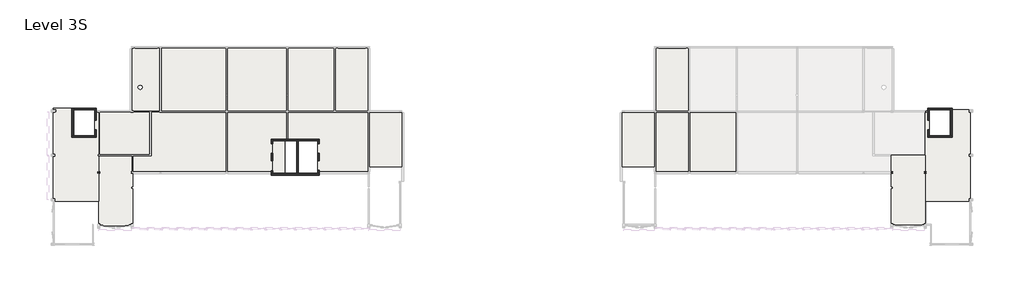
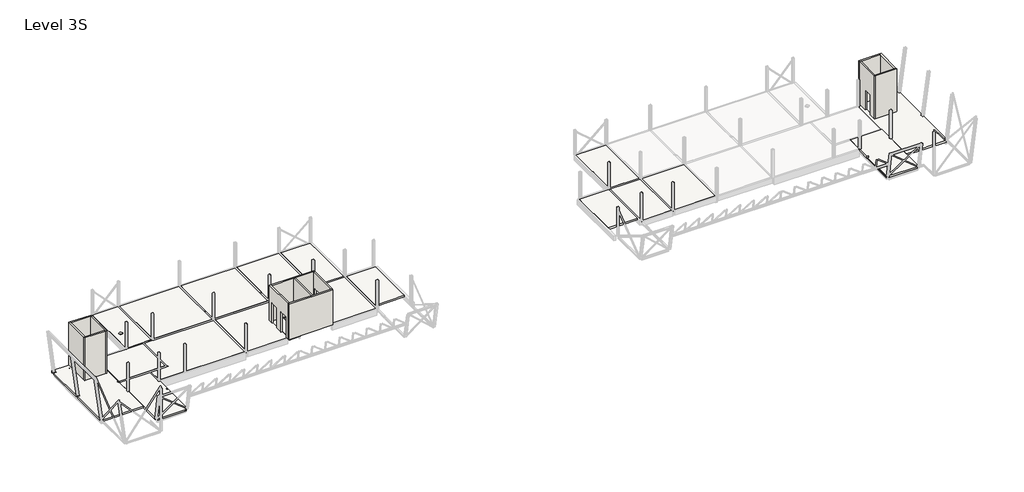
# One storey, part 1 of 11: 18 slabs, 13 walls.
"""IFC4 building model written with IfcOpenShell, lengths in millimetres."""

from ifc_helpers import new_model, si_unit, frame, origin, place, context, project, spatial, polyline, circle_curve, outline, extrude, faceted_brep, element, save
from ifc_brep_helpers import plane_surface, revolved_surface, advanced_brep

model = new_model("IFC4")

# Units and contexts
model_context = context("Model", 3, world=origin())
ifc_project = project(units=[si_unit("LENGTHUNIT", "METRE", prefix="MILLI")], contexts=[model_context])

# Site, building, storey
site = spatial("IfcSite", under=ifc_project)
building = spatial("IfcBuilding", under=site)
storey = spatial("IfcBuildingStorey", under=building, Name="Level 3S", Elevation=11900.0)

# Slabs
placement = place(None, origin())
element("IfcSlab", 1, ObjectType="Lattice Girder Slab 50/180", at=placement, inside=storey, context=model_context, shape_type="Brep", body=[
    faceted_brep([(-61475.5408921, -11787.2248986, 11720.0), (-59700.0749186, -11787.2248986, 11720.0), (-59550.0749186, -11787.2248986, 11720.0), (-59550.0749186, -14394.7248986, 11720.0), (-57575.0749186, -14394.7248986, 11720.0), (-57575.0749186, -12194.7248986, 11720.0), (-57277.5749186, -12194.7248986, 11720.0), (-57177.5749186, -12194.7248986, 11720.0), (-57177.5749186, -16094.1031039, 11720.0), (-57177.5749186, -16144.1031039, 11720.0), (-57277.5749186, -16144.1031039, 11720.0), (-57277.5749186, -16344.1031039, 11720.0), (-57177.5749186, -16344.1031039, 11720.0), (-57177.5749186, -17766.7248986, 11720.0), (-57267.5749186, -17766.7248986, 11720.0), (-57267.5749186, -17937.7248986, 11720.0), (-57177.5749186, -17937.7248986, 11720.0), (-57177.5749186, -20569.7248986, 11720.0), (-61265.9792037, -20569.7248986, 11720.0), (-61265.9792037, -20291.3915653, 11720.0), (-61475.5408921, -20291.3915653, 11720.0), (-61475.5408921, -16375.558232, 11720.0), (-61265.9792037, -16375.558232, 11720.0), (-61265.9792037, -16115.558232, 11720.0), (-61475.5408921, -16115.558232, 11720.0), (-61475.5408921, -12199.7248986, 11720.0), (-61175.5408921, -12199.7248986, 11720.0), (-61175.5408921, -11879.7248986, 11720.0), (-61475.5408921, -11879.7248986, 11720.0), (-59550.0749186, -11787.2248986, 11900.0), (-61475.5408921, -11787.2248986, 11900.0), (-61475.5408921, -11879.7248986, 11900.0), (-61175.5408921, -11879.7248986, 11900.0), (-61175.5408921, -12199.7248986, 11900.0), (-61475.5408921, -12199.7248986, 11900.0), (-61475.5408921, -16115.558232, 11900.0), (-61265.9792037, -16115.558232, 11900.0), (-61265.9792037, -16375.558232, 11900.0), (-61475.5408921, -16375.558232, 11900.0), (-61475.5408921, -20291.3915653, 11900.0), (-61265.9792037, -20291.3915653, 11900.0), (-61265.9792037, -20569.7248986, 11900.0), (-57177.5749186, -20569.7248986, 11900.0), (-57177.5749186, -17937.7248986, 11900.0), (-57267.5749186, -17937.7248986, 11900.0), (-57267.5749186, -17766.7248986, 11900.0), (-57177.5749186, -17766.7248986, 11900.0), (-57177.5749186, -16344.1031039, 11900.0), (-57277.5749186, -16344.1031039, 11900.0), (-57277.5749186, -16144.1031039, 11900.0), (-57177.5749186, -16144.1031039, 11900.0), (-57177.5749186, -16094.1031039, 11900.0), (-57177.5749186, -12194.7248986, 11900.0), (-57425.0749186, -12194.7248986, 11900.0), (-57575.0749186, -12194.7248986, 11900.0), (-57575.0749186, -14394.7248986, 11900.0), (-59550.0749186, -14394.7248986, 11900.0)], [[[0, 1, 2, 3, 4, 5, 6, 7, 8, 9, 10, 11, 12, 13, 14, 15, 16, 17, 18, 19, 20, 21, 22, 23, 24, 25, 26, 27, 28]], [[29, 30, 31, 32, 33, 34, 35, 36, 37, 38, 39, 40, 41, 42, 43, 44, 45, 46, 47, 48, 49, 50, 51, 52, 53, 54, 55, 56]], [[17, 42, 41, 18]], [[2, 1, 0, 30, 29]], [[42, 17, 16, 43]], [[46, 13, 12, 47]], [[7, 52, 51, 50, 9, 8]], [[3, 2, 29, 56]], [[4, 3, 56, 55]], [[4, 55, 54, 5]], [[26, 25, 34, 33]], [[30, 0, 28, 31]], [[34, 25, 24, 35]], [[38, 21, 20, 39]], [[24, 23, 36, 35]], [[22, 21, 38, 37]], [[20, 19, 40, 39]], [[32, 27, 26, 33]], [[36, 23, 22, 37]], [[40, 19, 18, 41]], [[7, 6, 5, 54, 53, 52]], [[11, 48, 47, 12]], [[49, 10, 9, 50]], [[44, 15, 14, 45]], [[45, 14, 13, 46]], [[15, 44, 43, 16]], [[27, 32, 31, 28]], [[48, 11, 10, 49]]]),
])
element("IfcSlab", 2, ObjectType="Lattice Girder Slab 50/180", at=placement, inside=storey, context=model_context, shape_type="Brep", body=[
    faceted_brep([(-57047.5749186, -22849.2950256, 11720.0), (-57047.5749186, -22642.2931836, 11720.0), (-57177.5749186, -22642.2931836, 11720.0), (-57177.5749186, -17937.7248986, 11720.0), (-57087.5749186, -17937.7248986, 11720.0), (-57087.5749186, -17766.7248986, 11720.0), (-57177.5749186, -17766.7248986, 11720.0), (-57177.5749186, -16344.1031039, 11720.0), (-54095.0749186, -16344.1031039, 11720.0), (-54095.0749186, -17752.2248986, 11720.0), (-54120.0749186, -17752.2248986, 11720.0), (-54120.0749186, -17952.2248986, 11720.0), (-53970.0749186, -17952.2248986, 11720.0), (-53970.0749186, -17993.6462549, 11720.0), (-53970.0749186, -19199.1395763, 11720.0), (-54115.0749186, -19199.1395763, 11720.0), (-54115.0749186, -19399.1395763, 11720.0), (-53970.0749186, -19399.1395763, 11720.0), (-53970.0749186, -22642.2931836, 11720.0), (-54150.0749186, -22642.2931836, 11720.0), (-54150.0749186, -22849.2950256, 11720.0), (-57047.5749186, -22642.2931836, 11900.0), (-57047.5749186, -22849.2950256, 11900.0), (-54150.0749186, -22849.2950256, 11900.0), (-54150.0749186, -22642.2931836, 11900.0), (-53970.0749186, -22642.2931836, 11900.0), (-53970.0749186, -19399.1395763, 11900.0), (-54115.0749186, -19399.1395763, 11900.0), (-54115.0749186, -19199.1395763, 11900.0), (-53970.0749186, -19199.1395763, 11900.0), (-53970.0749186, -17993.6462549, 11900.0), (-53970.0749186, -17952.2248986, 11900.0), (-54120.0749186, -17952.2248986, 11900.0), (-54120.0749186, -17752.2248986, 11900.0), (-54095.0749186, -17752.2248986, 11900.0), (-54095.0749186, -17722.3210881, 11900.0), (-54095.0749186, -16344.1031039, 11900.0), (-57065.7715197, -16344.1031039, 11900.0), (-57177.5749186, -16344.1031039, 11900.0), (-57177.5749186, -17766.7248986, 11900.0), (-57087.5749186, -17766.7248986, 11900.0), (-57087.5749186, -17937.7248986, 11900.0), (-57177.5749186, -17937.7248986, 11900.0), (-57177.5749186, -22642.2931836, 11900.0)], [[[0, 1, 2, 3, 4, 5, 6, 7, 8, 9, 10, 11, 12, 13, 14, 15, 16, 17, 18, 19, 20]], [[21, 22, 23, 24, 25, 26, 27, 28, 29, 30, 31, 32, 33, 34, 35, 36, 37, 38, 39, 40, 41, 42, 43]], [[2, 43, 42, 3]], [[6, 39, 38, 7]], [[22, 0, 20, 23]], [[18, 17, 26, 25]], [[29, 14, 13, 12, 31, 30]], [[1, 0, 22, 21]], [[20, 19, 24, 23]], [[16, 27, 26, 17]], [[27, 16, 15, 28]], [[28, 15, 14, 29]], [[1, 21, 43, 2]], [[24, 19, 18, 25]], [[5, 40, 39, 6]], [[40, 5, 4, 41]], [[41, 4, 3, 42]], [[33, 10, 9, 34]], [[12, 11, 32, 31]], [[7, 38, 37, 36, 8]], [[32, 11, 10, 33]], [[9, 8, 36, 35, 34]]]),
])
element("IfcSlab", 3, ObjectType="Lattice Girder Slab 50/180", at=placement, inside=storey, context=model_context, shape_type="Brep", body=[
    faceted_brep([(-36575.0711521, -17752.2248986, 11720.0), (-36575.0711521, -14879.7248986, 11720.0), (-39354.2335648, -14879.7248986, 11720.0), (-39354.2335648, -12219.7248986, 11720.0), (-35099.3783174, -12219.7248986, 11720.0), (-34875.7715197, -12219.7248986, 11720.0), (-31877.5749186, -12219.7248986, 11720.0), (-31877.5749186, -17752.2248986, 11720.0), (-36575.0711521, -14879.7248986, 11900.0), (-36575.0711521, -17752.2248986, 11900.0), (-36425.0711521, -17752.2248986, 11900.0), (-31889.3783174, -17752.2248986, 11900.0), (-31877.5749186, -17752.2248986, 11900.0), (-31877.5749186, -12219.7248986, 11900.0), (-34875.7715197, -12219.7248986, 11900.0), (-35099.3783174, -12219.7248986, 11900.0), (-39354.2335648, -12219.7248986, 11900.0), (-39354.2335648, -14729.7248986, 11900.0), (-39354.2335648, -14879.7248986, 11900.0)], [[[0, 1, 2, 3, 4, 5, 6, 7]], [[8, 9, 10, 11, 12, 13, 14, 15, 16, 17, 18]], [[13, 6, 5, 4, 3, 16, 15, 14]], [[8, 1, 0, 9]], [[1, 8, 18, 2]], [[6, 13, 12, 7]], [[0, 7, 12, 11, 10, 9]], [[3, 2, 18, 17, 16]]]),
    faceted_brep([(-40807.5711521, -14879.7248986, 11720.0), (-40807.5711521, -17752.2248986, 11720.0), (-45047.5749186, -17752.2248986, 11720.0), (-45047.5749186, -12219.7248986, 11720.0), (-39554.2335648, -12219.7248986, 11720.0), (-39554.2335648, -14879.7248986, 11720.0), (-39700.0711521, -14879.7248986, 11720.0), (-45047.5749186, -12219.7248986, 11900.0), (-45047.5749186, -17740.4214998, 11900.0), (-45047.5749186, -17752.2248986, 11900.0), (-45035.7715197, -17752.2248986, 11900.0), (-40957.5711521, -17752.2248986, 11900.0), (-40807.5711521, -17752.2248986, 11900.0), (-40807.5711521, -14879.7248986, 11900.0), (-39700.0711521, -14879.7248986, 11900.0), (-39554.2335648, -14879.7248986, 11900.0), (-39554.2335648, -14729.7248986, 11900.0), (-39554.2335648, -12219.7248986, 11900.0)], [[[0, 1, 2, 3, 4, 5, 6]], [[7, 8, 9, 10, 11, 12, 13, 14, 15, 16, 17]], [[3, 7, 17, 4]], [[13, 0, 6, 5, 15, 14]], [[0, 13, 12, 1]], [[7, 3, 2, 9, 8]], [[2, 1, 12, 11, 10, 9]], [[5, 4, 17, 16, 15]]]),
])
element("IfcSlab", 4, ObjectType="Lattice Girder Slab 50/180", at=placement, inside=storey, context=model_context, shape_type="SweptSolid", body=[
    extrude(outline(polyline([(-28690.0749186, -17289.7248986), (-31677.5749186, -17289.7248986), (-31677.5749186, -12219.7248986), (-28690.0749186, -12219.7248986), (-28690.0749186, -17289.7248986)])), frame((0.0, 0.0, 11720.0), z_axis=(0.0, 0.0, 1.0), x_axis=(1.0, 0.0, 0.0)), (0.0, 0.0, 1.0), 180.0),
])
element("IfcSlab", 5, ObjectType="Lattice Girder Slab 50/180", at=placement, inside=storey, context=model_context, shape_type="AdvancedBrep", body=[
    advanced_brep(
    [(-51467.5749186, -6164.7248986, 11720.0), (-51467.5749186, -12044.7248986, 11720.0), (-54020.0749186, -12044.7248986, 11720.0), (-54020.0749186, -6164.7248986, 11720.0), (-53494.9312843, -9844.3712807, 11720.0), (-53094.9312843, -9844.3712807, 11720.0), (-51467.5749186, -12044.7248986, 11900.0), (-51467.5749186, -12007.9214998, 11900.0), (-51467.5749186, -6189.7248986, 11900.0), (-51467.5749186, -6164.7248986, 11900.0), (-54020.0749186, -6164.7248986, 11900.0), (-54020.0749186, -6189.7248986, 11900.0), (-54020.0749186, -12019.7248986, 11900.0), (-54020.0749186, -12044.7248986, 11900.0), (-51497.4787291, -12044.7248986, 11900.0), (-53094.9312843, -9844.3712807, 11900.0), (-53494.9312843, -9844.3712807, 11900.0)],
    [
        (0, 1),
        (1, 2),
        (2, 3),
        (3, 0),
        (4, 5, circle_curve(frame((-53294.9312843, -9844.3712807, 11720.0), z_axis=(0.0, 0.0, 1.0), x_axis=(1.0, 0.0, 0.0)), 200.0)),
        (5, 4, circle_curve(frame((-53294.9312843, -9844.3712807, 11720.0), z_axis=(0.0, 0.0, 1.0), x_axis=(1.0, 0.0, 0.0)), 200.0)),
        (6, 7),
        (7, 8),
        (8, 9),
        (9, 10),
        (10, 11),
        (11, 12),
        (12, 13),
        (13, 14),
        (14, 6),
        (15, 16, circle_curve(frame((-53294.9312843, -9844.3712807, 11900.0), z_axis=(0.0, 0.0, -1.0), x_axis=(1.0, 0.0, 0.0)), 200.0)),
        (16, 15, circle_curve(frame((-53294.9312843, -9844.3712807, 11900.0), z_axis=(0.0, 0.0, -1.0), x_axis=(1.0, 0.0, 0.0)), 200.0)),
        (4, 16),
        (15, 5),
        (9, 0),
        (3, 10),
        (6, 1),
        (13, 2),
    ],
    [
        plane_surface(frame((-31607.5749186, -6089.7248986, 11720.0), z_axis=(0.0, 0.0, -1.0), x_axis=(1.0, 0.0, 0.0))),
        plane_surface(frame((-31607.5749186, -6089.7248986, 11900.0), z_axis=(0.0, 0.0, 1.0), x_axis=(-1.0, 0.0, 0.0))),
        revolved_surface(polyline([(-53094.9312843, -9844.3712807, 11900.0), (-53094.9312843, -9844.3712807, 11720.0)]), (-53294.9312843, -9844.3712807, 11415.2), (0.0, 0.0, 1.0)),
        plane_surface(frame((-51480.2749186, -6164.7248986, 11900.0), z_axis=(0.0, 1.0, 0.0), x_axis=(-1.0, 0.0, 0.0))),
        plane_surface(frame((-51467.5749186, -12219.7248986, 11525.0), z_axis=(1.0, 0.0, 0.0), x_axis=(0.0, 0.0, -1.0))),
        plane_surface(frame((-54007.3749186, -12044.7248986, 11900.0), z_axis=(0.0, -1.0, 0.0), x_axis=(1.0, 0.0, 0.0))),
        plane_surface(frame((-54020.0749186, -12219.7248986, 11900.0), z_axis=(-1.0, 0.0, 0.0), x_axis=(0.0, 0.0, -1.0))),
    ],
    [
        (0, [[1, 2, 3, 4], [5, 6]]),
        (1, [[7, 8, 9, 10, 11, 12, 13, 14, 15], [16, 17]]),
        (2, [[18, -16, 19, -5]]),
        (2, [[-18, -6, -19, -17]]),
        (3, [[20, -4, 21, -10]]),
        (4, [[-20, -9, -8, -7, 22, -1]]),
        (5, [[-22, -15, -14, 23, -2]]),
        (6, [[-23, -13, -12, -11, -21, -3]]),
    ],
),
])
element("IfcSlab", 6, ObjectType="Lattice Girder Slab 50/180", at=placement, inside=storey, context=model_context, shape_type="Brep", body=[
    faceted_brep([(-51267.5749186, -6164.7248986, 11720.0), (-45247.5749186, -6164.7248986, 11720.0), (-45247.5749186, -12019.7248986, 11720.0), (-51267.5749186, -12019.7248986, 11720.0), (-45247.5749186, -6164.7248986, 11900.0), (-51267.5749186, -6164.7248986, 11900.0), (-51267.5749186, -6189.7248986, 11900.0), (-51267.5749186, -12007.9214998, 11900.0), (-51267.5749186, -12019.7248986, 11900.0), (-51255.7715197, -12019.7248986, 11900.0), (-45247.5749186, -12019.7248986, 11900.0), (-45247.5749186, -10688.4429751, 11900.0), (-45247.5749186, -10464.8361774, 11900.0), (-45247.5749186, -6189.7248986, 11900.0)], [[[0, 1, 2, 3]], [[4, 5, 6, 7, 8, 9, 10, 11, 12, 13]], [[0, 5, 4, 1]], [[5, 0, 3, 8, 7, 6]], [[1, 4, 13, 12, 11, 10, 2]], [[3, 2, 10, 9, 8]]]),
])
element("IfcSlab", 7, ObjectType="Lattice Girder Slab 50/180", at=placement, inside=storey, context=model_context, shape_type="Brep", body=[
    faceted_brep([(-45047.5749186, -12019.7248986, 11720.0), (-45047.5749186, -6164.7248986, 11720.0), (-39554.2335648, -6164.7248986, 11720.0), (-39554.2335648, -12019.7248986, 11720.0), (-45047.5749186, -6164.7248986, 11900.0), (-45047.5749186, -6189.7248986, 11900.0), (-45047.5749186, -10464.8361774, 11900.0), (-45047.5749186, -10688.4429751, 11900.0), (-45047.5749186, -12019.7248986, 11900.0), (-39554.2335648, -12019.7248986, 11900.0), (-39554.2335648, -10688.4429751, 11900.0), (-39554.2335648, -10464.8361774, 11900.0), (-39554.2335648, -6189.7248986, 11900.0), (-39554.2335648, -6164.7248986, 11900.0)], [[[0, 1, 2, 3]], [[4, 5, 6, 7, 8, 9, 10, 11, 12, 13]], [[8, 0, 3, 9]], [[0, 8, 7, 6, 5, 4, 1]], [[1, 4, 13, 2]], [[3, 2, 13, 12, 11, 10, 9]]]),
])
element("IfcSlab", 8, ObjectType="Lattice Girder Slab 50/180", at=placement, inside=storey, context=model_context, shape_type="Brep", body=[
    faceted_brep([(-39354.2335648, -12019.7248986, 11720.0), (-39354.2335648, -6164.7248986, 11720.0), (-35087.5749186, -6164.7248986, 11720.0), (-35087.5749186, -12019.7248986, 11720.0), (-39354.2335648, -6164.7248986, 11900.0), (-39354.2335648, -6189.7248986, 11900.0), (-39354.2335648, -10464.8361774, 11900.0), (-39354.2335648, -10688.4429751, 11900.0), (-39354.2335648, -12019.7248986, 11900.0), (-35099.3783174, -12019.7248986, 11900.0), (-35087.5749186, -12019.7248986, 11900.0), (-35087.5749186, -12007.9214998, 11900.0), (-35087.5749186, -6189.7248986, 11900.0), (-35087.5749186, -6164.7248986, 11900.0)], [[[0, 1, 2, 3]], [[4, 5, 6, 7, 8, 9, 10, 11, 12, 13]], [[8, 0, 3, 10, 9]], [[0, 8, 7, 6, 5, 4, 1]], [[1, 4, 13, 2]], [[3, 2, 13, 12, 11, 10]]]),
])
element("IfcSlab", 9, ObjectType="Lattice Girder Slab 50/180", at=placement, inside=storey, context=model_context, shape_type="Brep", body=[
    faceted_brep([(-34887.5749186, -6164.7248986, 11720.0), (-31877.5749186, -6164.7248986, 11720.0), (-31877.5749186, -12019.7248986, 11720.0), (-34887.5749186, -12019.7248986, 11720.0), (-31877.5749186, -6164.7248986, 11900.0), (-34887.5749186, -6164.7248986, 11900.0), (-34887.5749186, -6189.7248986, 11900.0), (-34887.5749186, -12007.9214998, 11900.0), (-34887.5749186, -12019.7248986, 11900.0), (-34875.7715197, -12019.7248986, 11900.0), (-31877.5749186, -12019.7248986, 11900.0), (-31877.5749186, -6189.7248986, 11900.0)], [[[0, 1, 2, 3]], [[4, 5, 6, 7, 8, 9, 10, 11]], [[1, 4, 11, 10, 2]], [[4, 1, 0, 5]], [[5, 0, 3, 8, 7, 6]], [[3, 2, 10, 9, 8]]]),
])
element("IfcSlab", 10, ObjectType="Lattice Girder Slab 50/180", at=placement, inside=storey, context=model_context, shape_type="Brep", body=[
    faceted_brep([(-54220.0749186, -12219.7248986, 11720.0), (-54020.0749186, -12219.7248986, 11720.0), (-54020.0749186, -12194.7248986, 11720.0), (-52415.0320216, -12194.7248986, 11720.0), (-52415.0320216, -16144.1031039, 11720.0), (-57077.5749186, -16144.1031039, 11720.0), (-57077.5749186, -12194.7248986, 11720.0), (-54220.0749186, -12194.7248986, 11720.0), (-54020.0749186, -12219.7248986, 11900.0), (-54220.0749186, -12219.7248986, 11900.0), (-54220.0749186, -12194.7248986, 11900.0), (-57077.5749186, -12194.7248986, 11900.0), (-57077.5749186, -16132.2997051, 11900.0), (-57077.5749186, -16144.1031039, 11900.0), (-57065.7715197, -16144.1031039, 11900.0), (-52426.8354205, -16144.1031039, 11900.0), (-52415.0320216, -16144.1031039, 11900.0), (-52415.0320216, -16132.2997051, 11900.0), (-52415.0320216, -12194.7248986, 11900.0), (-54020.0749186, -12194.7248986, 11900.0)], [[[0, 1, 2, 3, 4, 5, 6, 7]], [[8, 9, 10, 11, 12, 13, 14, 15, 16, 17, 18, 19]], [[0, 9, 8, 1]], [[1, 8, 19, 2]], [[9, 0, 7, 10]], [[10, 7, 6, 11]], [[16, 4, 3, 18, 17]], [[4, 16, 15, 14, 13, 5]], [[6, 5, 13, 12, 11]], [[3, 2, 19, 18]]]),
])
element("IfcSlab", 11, ObjectType="Lattice Girder Slab 50/180", at=placement, inside=storey, context=model_context, shape_type="Brep", body=[
    faceted_brep([(-45247.5749186, -12219.7248986, 11720.0), (-45247.5749186, -17752.2248986, 11720.0), (-53945.0749186, -17752.2248986, 11720.0), (-53945.0749186, -16344.1031039, 11720.0), (-52215.0320216, -16344.1031039, 11720.0), (-52215.0320216, -12194.7248986, 11720.0), (-51467.5749186, -12194.7248986, 11720.0), (-51467.5749186, -12219.7248986, 11720.0), (-45247.5749186, -17752.2248986, 11900.0), (-45247.5749186, -17740.4214998, 11900.0), (-45247.5749186, -12219.7248986, 11900.0), (-51255.7715197, -12219.7248986, 11900.0), (-51467.5749186, -12219.7248986, 11900.0), (-51467.5749186, -12194.7248986, 11900.0), (-51497.4787291, -12194.7248986, 11900.0), (-52215.0320216, -12194.7248986, 11900.0), (-52215.0320216, -16132.2997051, 11900.0), (-52215.0320216, -16344.1031039, 11900.0), (-52426.8354205, -16344.1031039, 11900.0), (-53945.0749186, -16344.1031039, 11900.0), (-53945.0749186, -17722.3210881, 11900.0), (-53945.0749186, -17752.2248986, 11900.0), (-53908.2715197, -17752.2248986, 11900.0), (-45259.3783174, -17752.2248986, 11900.0)], [[[0, 1, 2, 3, 4, 5, 6, 7]], [[8, 9, 10, 11, 12, 13, 14, 15, 16, 17, 18, 19, 20, 21, 22, 23]], [[1, 8, 23, 22, 21, 2]], [[15, 5, 4, 17, 16]], [[17, 4, 3, 19, 18]], [[8, 1, 0, 10, 9]], [[10, 0, 7, 12, 11]], [[5, 15, 14, 13, 6]], [[12, 7, 6, 13]], [[3, 2, 21, 20, 19]]]),
])
element("IfcSlab", 12, ObjectType="Lattice Girder Slab 50/180", at=placement, inside=storey, context=model_context, shape_type="Brep", body=[
    faceted_brep([(-4737.5749186, -6164.7248986, 11720.0), (-1727.5749186, -6164.7248986, 11720.0), (-1727.5749186, -12019.7248986, 11720.0), (-4737.5749186, -12019.7248986, 11720.0), (-1727.5749186, -6164.7248986, 11900.0), (-4737.5749186, -6164.7248986, 11900.0), (-4737.5749186, -6189.7248986, 11900.0), (-4737.5749186, -11969.7248986, 11900.0), (-4737.5749186, -12019.7248986, 11900.0), (-4687.5749186, -12019.7248986, 11900.0), (-1739.3783174, -12019.7248986, 11900.0), (-1727.5749186, -12019.7248986, 11900.0), (-1727.5749186, -12007.9214998, 11900.0), (-1727.5749186, -6189.7248986, 11900.0)], [[[0, 1, 2, 3]], [[4, 5, 6, 7, 8, 9, 10, 11, 12, 13]], [[5, 0, 3, 8, 7, 6]], [[1, 4, 13, 12, 11, 2]], [[1, 0, 5, 4]], [[3, 2, 11, 10, 9, 8]]]),
])
element("IfcSlab", 13, ObjectType="Lattice Girder Slab 50/180", at=placement, inside=storey, context=model_context, shape_type="Brep", body=[
    faceted_brep([(-7925.0749186, -17289.7248986, 11720.0), (-7925.0749186, -12219.7248986, 11720.0), (-4937.5749186, -12219.7248986, 11720.0), (-4937.5749186, -17289.7248986, 11720.0), (-7925.0749186, -12219.7248986, 11900.0), (-7925.0749186, -17289.7248986, 11900.0), (-4937.5749186, -17289.7248986, 11900.0), (-4937.5749186, -12269.7248986, 11900.0), (-4937.5749186, -12219.7248986, 11900.0), (-4987.5749186, -12219.7248986, 11900.0)], [[[0, 1, 2, 3]], [[4, 5, 6, 7, 8, 9]], [[5, 0, 3, 6]], [[0, 5, 4, 1]], [[1, 4, 9, 8, 2]], [[3, 2, 8, 7, 6]]]),
])
element("IfcSlab", 14, ObjectType="Lattice Girder Slab 50/180", at=placement, inside=storey, context=model_context, shape_type="Brep", body=[
    faceted_brep([(-4737.5749186, -17752.2248986, 11720.0), (-4737.5749186, -12219.7248986, 11720.0), (-1727.5749186, -12219.7248986, 11720.0), (-1727.5749186, -17752.2248986, 11720.0), (-4737.5749186, -12219.7248986, 11900.0), (-4737.5749186, -12269.7248986, 11900.0), (-4737.5749186, -17740.4214998, 11900.0), (-4737.5749186, -17752.2248986, 11900.0), (-4725.7715197, -17752.2248986, 11900.0), (-1739.3783174, -17752.2248986, 11900.0), (-1727.5749186, -17752.2248986, 11900.0), (-1727.5749186, -17740.4214998, 11900.0), (-1727.5749186, -12231.5282975, 11900.0), (-1727.5749186, -12219.7248986, 11900.0), (-1739.3783174, -12219.7248986, 11900.0), (-4687.5749186, -12219.7248986, 11900.0)], [[[0, 1, 2, 3]], [[4, 5, 6, 7, 8, 9, 10, 11, 12, 13, 14, 15]], [[4, 1, 0, 7, 6, 5]], [[1, 4, 15, 14, 13, 2]], [[7, 0, 3, 10, 9, 8]], [[3, 2, 13, 12, 11, 10]]]),
])
element("IfcSlab", 15, ObjectType="Lattice Girder Slab 50/180", at=placement, inside=storey, context=model_context, shape_type="Brep", body=[
    faceted_brep([(-1527.5749186, -12219.7248986, 11720.0), (2739.0837277, -12219.7248986, 11720.0), (2739.0837277, -17752.2248986, 11720.0), (-1527.5749186, -17752.2248986, 11720.0), (2739.0837277, -12219.7248986, 11900.0), (-1515.7715197, -12219.7248986, 11900.0), (-1527.5749186, -12219.7248986, 11900.0), (-1527.5749186, -12231.5282975, 11900.0), (-1527.5749186, -17740.4214998, 11900.0), (-1527.5749186, -17752.2248986, 11900.0), (-1515.7715197, -17752.2248986, 11900.0), (2727.2803288, -17752.2248986, 11900.0), (2739.0837277, -17752.2248986, 11900.0), (2739.0837277, -17740.4214998, 11900.0)], [[[0, 1, 2, 3]], [[4, 5, 6, 7, 8, 9, 10, 11, 12, 13]], [[6, 0, 3, 9, 8, 7]], [[0, 6, 5, 4, 1]], [[1, 4, 13, 12, 2]], [[3, 2, 12, 11, 10, 9]]]),
])
element("IfcSlab", 16, ObjectType="Lattice Girder Slab 50/180", at=placement, inside=storey, context=model_context, shape_type="Brep", body=[
    faceted_brep([(20562.4250814, -12044.7248986, 11720.0), (20809.9250814, -12044.7248986, 11720.0), (20959.9250814, -12044.7248986, 11720.0), (20959.9250814, -14394.7248986, 11720.0), (22934.9250814, -14394.7248986, 11720.0), (22934.9250814, -11939.7248986, 11720.0), (23084.9250814, -11939.7248986, 11720.0), (24650.7493347, -11939.7248986, 11720.0), (24650.7493347, -12199.7248986, 11720.0), (24781.841055, -12199.7248986, 11720.0), (24781.841055, -16115.558232, 11720.0), (24650.7493347, -16115.558232, 11720.0), (24650.7493347, -16375.558232, 11720.0), (24781.841055, -16375.558232, 11720.0), (24781.841055, -20291.3915653, 11720.0), (24650.7493347, -20291.3915653, 11720.0), (24650.7493347, -20569.7248986, 11720.0), (20562.4250814, -20569.7248986, 11720.0), (20562.4250814, -16094.1031039, 11720.0), (20562.4250814, -12194.7248986, 11720.0), (20959.9250814, -12044.7248986, 11900.0), (20809.9250814, -12044.7248986, 11900.0), (20562.4250814, -12044.7248986, 11900.0), (20562.4250814, -12194.7248986, 11900.0), (20562.4250814, -16094.1031039, 11900.0), (20562.4250814, -20569.7248986, 11900.0), (24650.7493347, -20569.7248986, 11900.0), (24650.7493347, -20291.3915653, 11900.0), (24781.841055, -20291.3915653, 11900.0), (24781.841055, -16375.558232, 11900.0), (24650.7493347, -16375.558232, 11900.0), (24650.7493347, -16115.558232, 11900.0), (24781.841055, -16115.558232, 11900.0), (24781.841055, -12199.7248986, 11900.0), (24650.7493347, -12199.7248986, 11900.0), (24650.7493347, -11939.7248986, 11900.0), (23084.9250814, -11939.7248986, 11900.0), (22934.9250814, -11939.7248986, 11900.0), (22934.9250814, -14394.7248986, 11900.0), (20959.9250814, -14394.7248986, 11900.0)], [[[0, 1, 2, 3, 4, 5, 6, 7, 8, 9, 10, 11, 12, 13, 14, 15, 16, 17, 18, 19]], [[20, 21, 22, 23, 24, 25, 26, 27, 28, 29, 30, 31, 32, 33, 34, 35, 36, 37, 38, 39]], [[2, 1, 0, 22, 21, 20]], [[3, 2, 20, 39]], [[4, 3, 39, 38]], [[5, 4, 38, 37]], [[5, 37, 36, 35, 7, 6]], [[25, 17, 16, 26]], [[0, 19, 18, 17, 25, 24, 23, 22]], [[8, 34, 33, 9]], [[34, 8, 7, 35]], [[12, 30, 29, 13]], [[30, 12, 11, 31]], [[31, 11, 10, 32]], [[15, 27, 26, 16]], [[27, 15, 14, 28]], [[9, 33, 32, 10]], [[13, 29, 28, 14]]]),
])
element("IfcSlab", 17, ObjectType="Lattice Girder Slab 50/180", at=placement, inside=storey, context=model_context, shape_type="Brep", body=[
    faceted_brep([(17354.9250814, -19399.1395763, 11720.0), (17499.9250814, -19399.1395763, 11720.0), (17499.9250814, -19199.1395763, 11720.0), (17354.9250814, -19199.1395763, 11720.0), (17354.9250814, -17993.6462549, 11720.0), (17354.9250814, -17852.2248986, 11720.0), (17354.9250814, -17710.8035424, 11720.0), (17354.9250814, -16344.1031039, 11720.0), (17354.9250814, -16244.1031039, 11720.0), (20412.4250814, -16244.1031039, 11720.0), (20562.4250814, -16244.1031039, 11720.0), (20562.4250814, -22642.2931836, 11720.0), (20432.4250814, -22642.2931836, 11720.0), (20432.4250814, -22774.2950256, 11720.0), (17534.9250814, -22774.2950256, 11720.0), (17534.9250814, -22642.2931836, 11720.0), (17354.9250814, -22642.2931836, 11720.0), (17499.9250814, -19399.1395763, 11900.0), (17354.9250814, -19399.1395763, 11900.0), (17354.9250814, -22642.2931836, 11900.0), (17534.9250814, -22642.2931836, 11900.0), (17534.9250814, -22774.2950256, 11900.0), (20432.4250814, -22774.2950256, 11900.0), (20432.4250814, -22642.2931836, 11900.0), (20562.4250814, -22642.2931836, 11900.0), (20562.4250814, -16244.1031039, 11900.0), (20412.4250814, -16244.1031039, 11900.0), (17354.9250814, -16244.1031039, 11900.0), (17354.9250814, -16344.1031039, 11900.0), (17354.9250814, -17710.8035424, 11900.0), (17354.9250814, -17852.2248986, 11900.0), (17354.9250814, -17993.6462549, 11900.0), (17354.9250814, -19199.1395763, 11900.0), (17499.9250814, -19199.1395763, 11900.0)], [[[0, 1, 2, 3, 4, 5, 6, 7, 8, 9, 10, 11, 12, 13, 14, 15, 16]], [[17, 18, 19, 20, 21, 22, 23, 24, 25, 26, 27, 28, 29, 30, 31, 32, 33]], [[1, 0, 18, 17]], [[2, 1, 17, 33]], [[3, 2, 33, 32]], [[10, 25, 24, 11]], [[18, 0, 16, 19]], [[3, 32, 31, 30, 29, 28, 27, 8, 7, 6, 5, 4]], [[10, 9, 8, 27, 26, 25]], [[13, 22, 21, 14]], [[12, 23, 22, 13]], [[23, 12, 11, 24]], [[20, 15, 14, 21]], [[15, 20, 19, 16]]]),
])
element("IfcSlab", 18, ObjectType="Lattice Girder Slab 50/180", at=placement, inside=storey, context=model_context, shape_type="Brep", body=[
    faceted_brep([(-39700.0711521, -17944.7248986, 11720.0), (-40807.5711521, -17944.7248986, 11720.0), (-40807.5711521, -17852.2248986, 11720.0), (-40807.5711521, -17752.2248986, 11720.0), (-40807.5711521, -14879.7248986, 11720.0), (-39700.0711521, -14879.7248986, 11720.0), (-40807.5711521, -17944.7248986, 11900.0), (-39700.0711521, -17944.7248986, 11900.0), (-39700.0711521, -14879.7248986, 11900.0), (-40807.5711521, -14879.7248986, 11900.0), (-40807.5711521, -17752.2248986, 11900.0), (-40807.5711521, -17852.2248986, 11900.0)], [[[0, 1, 2, 3, 4, 5]], [[6, 7, 8, 9, 10, 11]], [[7, 0, 5, 8]], [[1, 0, 7, 6]], [[1, 6, 11, 10, 9, 4, 3, 2]], [[5, 4, 9, 8]]]),
])

# Walls
element("IfcWall", 19, ObjectType="Concrete CIP - 150 mm", at=placement, inside=storey, context=model_context, shape_type="Brep", body=[
    faceted_brep([(-59700.0749186, -14544.7248986, 11900.0), (-57575.0749186, -14544.7248986, 11900.0), (-57575.0749186, -14544.7248986, 16500.0), (-59700.0749186, -14544.7248986, 16500.0), (-59700.0749186, -14394.7248986, 11900.0), (-59700.0749186, -14394.7248986, 16500.0), (-59550.0749186, -14394.7248986, 16500.0), (-57575.0749186, -14394.7248986, 16500.0), (-57575.0749186, -14394.7248986, 11900.0), (-59550.0749186, -14394.7248986, 11900.0)], [[[0, 1, 2, 3]], [[4, 5, 6, 7, 8, 9]], [[1, 0, 4, 9, 8]], [[0, 3, 5, 4]], [[2, 1, 8, 7]], [[3, 2, 7, 6, 5]]]),
])
element("IfcWall", 20, ObjectType="Concrete CIP - 150 mm", at=placement, inside=storey, context=model_context, shape_type="Brep", body=[
    faceted_brep([(-59700.0749186, -11787.2248986, 11900.0), (-59700.0749186, -14394.7248986, 11900.0), (-59700.0749186, -14394.7248986, 16500.0), (-59700.0749186, -11787.2248986, 16500.0), (-59550.0749186, -11787.2248986, 11900.0), (-59550.0749186, -11787.2248986, 16500.0), (-59550.0749186, -11937.2248986, 16500.0), (-59550.0749186, -14394.7248986, 16500.0), (-59550.0749186, -14394.7248986, 11900.0), (-59550.0749186, -11937.2248986, 11900.0)], [[[0, 1, 2, 3]], [[4, 5, 6, 7, 8, 9]], [[1, 0, 4, 9, 8]], [[0, 3, 5, 4]], [[2, 1, 8, 7]], [[3, 2, 7, 6, 5]]]),
])
element("IfcWall", 21, ObjectType="Concrete CIP - 150 mm", at=placement, inside=storey, context=model_context, shape_type="Brep", body=[
    faceted_brep([(-57425.0749186, -11787.2248986, 11900.0), (-59550.0749186, -11787.2248986, 11900.0), (-59550.0749186, -11787.2248986, 16500.0), (-57425.0749186, -11787.2248986, 16500.0), (-59550.0749186, -11937.2248986, 11900.0), (-57575.0749186, -11937.2248986, 11900.0), (-57425.0749186, -11937.2248986, 11900.0), (-57425.0749186, -11937.2248986, 16500.0), (-57575.0749186, -11937.2248986, 16500.0), (-59550.0749186, -11937.2248986, 16500.0)], [[[0, 1, 2, 3]], [[4, 5, 6, 7, 8, 9]], [[1, 0, 6, 5, 4]], [[6, 0, 3, 7]], [[1, 4, 9, 2]], [[3, 2, 9, 8, 7]]]),
])
element("IfcWall", 22, ObjectType="Concrete CIP - 150 mm", at=placement, inside=storey, context=model_context, shape_type="Brep", body=[
    faceted_brep([(-57425.0749186, -14544.7248986, 11900.0), (-57425.0749186, -13827.2248986, 11900.0), (-57425.0749186, -13827.2248986, 14100.0), (-57425.0749186, -12927.2248986, 14100.0), (-57425.0749186, -12927.2248986, 11900.0), (-57425.0749186, -11937.2248986, 11900.0), (-57425.0749186, -11937.2248986, 16500.0), (-57425.0749186, -14544.7248986, 16500.0), (-57575.0749186, -13827.2248986, 14100.0), (-57575.0749186, -13827.2248986, 11900.0), (-57575.0749186, -14394.7248986, 11900.0), (-57575.0749186, -14544.7248986, 11900.0), (-57575.0749186, -14544.7248986, 16500.0), (-57575.0749186, -14394.7248986, 16500.0), (-57575.0749186, -11937.2248986, 16500.0), (-57575.0749186, -11937.2248986, 11900.0), (-57575.0749186, -12927.2248986, 11900.0), (-57575.0749186, -12927.2248986, 14100.0)], [[[0, 1, 2, 3, 4, 5, 6, 7]], [[8, 9, 10, 11, 12, 13, 14, 15, 16, 17]], [[16, 15, 5, 4]], [[11, 10, 9, 1, 0]], [[0, 7, 12, 11]], [[6, 5, 15, 14]], [[7, 6, 14, 13, 12]], [[4, 3, 17, 16]], [[2, 1, 9, 8]], [[3, 2, 8, 17]]]),
])
element("IfcWall", 23, ObjectType="Concrete CIP - 150 mm", at=placement, inside=storey, context=model_context, shape_type="Brep", body=[
    faceted_brep([(-40957.5711521, -18094.7248986, 11900.0), (-36425.0711521, -18094.7248986, 11900.0), (-36425.0711521, -18094.7248986, 14949.6811116), (-36425.0711521, -18094.7248986, 15149.7906112), (-36425.0711521, -18094.7248986, 15720.0), (-40957.5711521, -18094.7248986, 15720.0), (-40957.5711521, -18094.7248986, 15149.7906112), (-40957.5711521, -18094.7248986, 14949.6811116), (-36425.0711521, -17944.7248986, 11900.0), (-36575.0711521, -17944.7248986, 11900.0), (-38425.0711521, -17944.7248986, 11900.0), (-38575.0711521, -17944.7248986, 11900.0), (-40807.5711521, -17944.7248986, 11900.0), (-40957.5711521, -17944.7248986, 11900.0), (-40957.5711521, -17944.7248986, 14944.7168243), (-40957.5711521, -17944.7248986, 15144.8263238), (-40957.5711521, -17944.7248986, 15720.0), (-40807.5711521, -17944.7248986, 15720.0), (-38575.0711521, -17944.7248986, 15720.0), (-38425.0711521, -17944.7248986, 15720.0), (-36575.0711521, -17944.7248986, 15720.0), (-36425.0711521, -17944.7248986, 15720.0), (-36425.0711521, -17944.7248986, 15144.8263238), (-36425.0711521, -17944.7248986, 14944.7168243)], [[[0, 1, 2, 3, 4, 5, 6, 7]], [[8, 9, 10, 11, 12, 13, 14, 15, 16, 17, 18, 19, 20, 21, 22, 23]], [[1, 0, 13, 12, 11, 10, 9, 8]], [[5, 4, 21, 20, 19, 18, 17, 16]], [[1, 8, 23, 22, 21, 4, 3, 2]], [[13, 0, 7, 6, 5, 16, 15, 14]]]),
])
element("IfcWall", 24, ObjectType="Concrete CIP - 150 mm", at=placement, inside=storey, context=model_context, shape_type="SweptSolid", body=[
    extrude(outline(polyline([(-38575.0711521, -17944.7248986), (-38575.0711521, -14879.7248986), (-38425.0711521, -14879.7248986), (-38425.0711521, -17944.7248986), (-38575.0711521, -17944.7248986)])), frame((0.0, 0.0, 11900.0), z_axis=(0.0, 0.0, 1.0), x_axis=(1.0, 0.0, 0.0)), (0.0, 0.0, 1.0), 3820.0),
])
element("IfcWall", 25, ObjectType="Concrete CIP - 150 mm", at=placement, inside=storey, context=model_context, shape_type="Brep", body=[
    faceted_brep([(-36425.0711521, -14729.7248986, 11900.0), (-40807.5711521, -14729.7248986, 11900.0), (-40807.5711521, -14729.7248986, 14838.3155978), (-40807.5711521, -14729.7248986, 15038.4250974), (-40807.5711521, -14729.7248986, 15720.0), (-36425.0711521, -14729.7248986, 15720.0), (-36425.0711521, -14729.7248986, 15038.4250974), (-36425.0711521, -14729.7248986, 14838.3155978), (-40807.5711521, -14879.7248986, 11900.0), (-38575.0711521, -14879.7248986, 11900.0), (-38425.0711521, -14879.7248986, 11900.0), (-36575.0711521, -14879.7248986, 11900.0), (-36425.0711521, -14879.7248986, 11900.0), (-36425.0711521, -14879.7248986, 14843.2798852), (-36425.0711521, -14879.7248986, 15043.3893848), (-36425.0711521, -14879.7248986, 15720.0), (-36575.0711521, -14879.7248986, 15720.0), (-38425.0711521, -14879.7248986, 15720.0), (-38575.0711521, -14879.7248986, 15720.0), (-40807.5711521, -14879.7248986, 15720.0)], [[[0, 1, 2, 3, 4, 5, 6, 7]], [[8, 9, 10, 11, 12, 13, 14, 15, 16, 17, 18, 19]], [[1, 0, 12, 11, 10, 9, 8]], [[12, 0, 7, 6, 5, 15, 14, 13]], [[1, 8, 19, 4, 3, 2]], [[5, 4, 19, 18, 17, 16, 15]]]),
])
element("IfcWall", 26, ObjectType="Concrete CIP - 150 mm", at=placement, inside=storey, context=model_context, shape_type="Brep", body=[
    faceted_brep([(-36425.0711521, -16762.2248986, 14100.0), (-36425.0711521, -16762.2248986, 11900.0), (-36425.0711521, -16062.2248986, 11900.0), (-36425.0711521, -16062.2248986, 14100.0), (-36425.0711521, -15162.2248986, 14100.0), (-36425.0711521, -15162.2248986, 11900.0), (-36425.0711521, -14879.7248986, 11900.0), (-36425.0711521, -14879.7248986, 14843.2798852), (-36425.0711521, -14879.7248986, 15043.3893848), (-36425.0711521, -14879.7248986, 15720.0), (-36425.0711521, -17944.7248986, 15720.0), (-36425.0711521, -17944.7248986, 15144.8263238), (-36425.0711521, -17944.7248986, 14944.7168243), (-36425.0711521, -17944.7248986, 11900.0), (-36425.0711521, -17662.2248986, 11900.0), (-36425.0711521, -17662.2248986, 14100.0), (-36575.0711521, -14879.7248986, 15720.0), (-36575.0711521, -14879.7248986, 11900.0), (-36575.0711521, -15162.2248986, 11900.0), (-36575.0711521, -15162.2248986, 14100.0), (-36575.0711521, -16062.2248986, 14100.0), (-36575.0711521, -16062.2248986, 11900.0), (-36575.0711521, -16762.2248986, 11900.0), (-36575.0711521, -16762.2248986, 14100.0), (-36575.0711521, -17662.2248986, 14100.0), (-36575.0711521, -17662.2248986, 11900.0), (-36575.0711521, -17944.7248986, 11900.0), (-36575.0711521, -17944.7248986, 15720.0)], [[[0, 1, 2, 3, 4, 5, 6, 7, 8, 9, 10, 11, 12, 13, 14, 15]], [[16, 17, 18, 19, 20, 21, 22, 23, 24, 25, 26, 27]], [[17, 6, 5, 18]], [[1, 22, 21, 2]], [[25, 14, 13, 26]], [[6, 17, 16, 9, 8, 7]], [[1, 0, 23, 22]], [[15, 14, 25, 24]], [[0, 15, 24, 23]], [[5, 4, 19, 18]], [[3, 2, 21, 20]], [[4, 3, 20, 19]], [[10, 9, 16, 27]], [[27, 26, 13, 12, 11, 10]]]),
])
element("IfcWall", 27, ObjectType="Concrete CIP - 150 mm", at=placement, inside=storey, context=model_context, shape_type="Brep", body=[
    faceted_brep([(-40957.5711521, -17665.9748986, 11900.0), (-40957.5711521, -17944.7248986, 11900.0), (-40957.5711521, -17944.7248986, 14944.7168243), (-40957.5711521, -17944.7248986, 15144.8263238), (-40957.5711521, -17944.7248986, 15720.0), (-40957.5711521, -14729.7248986, 15720.0), (-40957.5711521, -14729.7248986, 15038.4250974), (-40957.5711521, -14729.7248986, 14838.3155978), (-40957.5711521, -14729.7248986, 11900.0), (-40957.5711521, -15158.4748986, 11900.0), (-40957.5711521, -15158.4748986, 14100.0), (-40957.5711521, -16058.4748986, 14100.0), (-40957.5711521, -16058.4748986, 11900.0), (-40957.5711521, -16765.9748986, 11900.0), (-40957.5711521, -16765.9748986, 14100.0), (-40957.5711521, -17665.9748986, 14100.0), (-40807.5711521, -17944.7248986, 11900.0), (-40807.5711521, -17665.9748986, 11900.0), (-40807.5711521, -17665.9748986, 14100.0), (-40807.5711521, -16765.9748986, 14100.0), (-40807.5711521, -16765.9748986, 11900.0), (-40807.5711521, -16058.4748986, 11900.0), (-40807.5711521, -16058.4748986, 14100.0), (-40807.5711521, -15158.4748986, 14100.0), (-40807.5711521, -15158.4748986, 11900.0), (-40807.5711521, -14879.7248986, 11900.0), (-40807.5711521, -14729.7248986, 11900.0), (-40807.5711521, -14729.7248986, 14838.3155978), (-40807.5711521, -14729.7248986, 15038.4250974), (-40807.5711521, -14729.7248986, 15720.0), (-40807.5711521, -14879.7248986, 15720.0), (-40807.5711521, -17944.7248986, 15720.0)], [[[0, 1, 2, 3, 4, 5, 6, 7, 8, 9, 10, 11, 12, 13, 14, 15]], [[16, 17, 18, 19, 20, 21, 22, 23, 24, 25, 26, 27, 28, 29, 30, 31]], [[1, 0, 17, 16]], [[20, 13, 12, 21]], [[9, 8, 26, 25, 24]], [[15, 18, 17, 0]], [[19, 14, 13, 20]], [[18, 15, 14, 19]], [[11, 22, 21, 12]], [[23, 10, 9, 24]], [[22, 11, 10, 23]], [[26, 8, 7, 6, 5, 29, 28, 27]], [[5, 4, 31, 30, 29]], [[1, 16, 31, 4, 3, 2]]]),
])
element("IfcWall", 28, ObjectType="Concrete CIP - 150 mm", at=placement, inside=storey, context=model_context, shape_type="Brep", body=[
    faceted_brep([(23084.9250814, -14394.7248986, 11900.0), (22934.9250814, -14394.7248986, 11900.0), (20959.9250814, -14394.7248986, 11900.0), (20959.9250814, -14394.7248986, 16500.0), (22934.9250814, -14394.7248986, 16500.0), (23084.9250814, -14394.7248986, 16500.0), (23084.9250814, -14544.7248986, 11900.0), (23084.9250814, -14544.7248986, 16500.0), (20959.9250814, -14544.7248986, 16500.0), (20959.9250814, -14544.7248986, 11900.0)], [[[0, 1, 2, 3, 4, 5]], [[6, 7, 8, 9]], [[2, 1, 0, 6, 9]], [[0, 5, 7, 6]], [[3, 2, 9, 8]], [[5, 4, 3, 8, 7]]]),
])
element("IfcWall", 29, ObjectType="Concrete CIP - 150 mm", at=placement, inside=storey, context=model_context, shape_type="Brep", body=[
    faceted_brep([(22934.9250814, -11787.2248986, 11900.0), (22934.9250814, -11937.2248986, 11900.0), (22934.9250814, -14394.7248986, 11900.0), (22934.9250814, -14394.7248986, 16500.0), (22934.9250814, -11937.2248986, 16500.0), (22934.9250814, -11787.2248986, 16500.0), (23084.9250814, -11787.2248986, 11900.0), (23084.9250814, -11787.2248986, 16500.0), (23084.9250814, -14394.7248986, 16500.0), (23084.9250814, -14394.7248986, 11900.0)], [[[0, 1, 2, 3, 4, 5]], [[6, 7, 8, 9]], [[2, 1, 0, 6, 9]], [[0, 5, 7, 6]], [[3, 2, 9, 8]], [[5, 4, 3, 8, 7]]]),
])
element("IfcWall", 30, ObjectType="Concrete CIP - 150 mm", at=placement, inside=storey, context=model_context, shape_type="Brep", body=[
    faceted_brep([(20809.9250814, -11937.2248986, 11900.0), (20959.9250814, -11937.2248986, 11900.0), (22934.9250814, -11937.2248986, 11900.0), (22934.9250814, -11937.2248986, 16500.0), (20959.9250814, -11937.2248986, 16500.0), (20809.9250814, -11937.2248986, 16500.0), (20809.9250814, -11787.2248986, 11900.0), (20809.9250814, -11787.2248986, 16500.0), (22934.9250814, -11787.2248986, 16500.0), (22934.9250814, -11787.2248986, 11900.0)], [[[0, 1, 2, 3, 4, 5]], [[6, 7, 8, 9]], [[2, 1, 0, 6, 9]], [[0, 5, 7, 6]], [[3, 2, 9, 8]], [[5, 4, 3, 8, 7]]]),
])
element("IfcWall", 31, ObjectType="Concrete CIP - 150 mm", at=placement, inside=storey, context=model_context, shape_type="Brep", body=[
    faceted_brep([(20959.9250814, -14544.7248986, 11900.0), (20959.9250814, -14394.7248986, 11900.0), (20959.9250814, -13827.2248986, 11900.0), (20959.9250814, -13827.2248986, 14100.0), (20959.9250814, -12927.2248986, 14100.0), (20959.9250814, -12927.2248986, 11900.0), (20959.9250814, -11937.2248986, 11900.0), (20959.9250814, -11937.2248986, 16500.0), (20959.9250814, -14394.7248986, 16500.0), (20959.9250814, -14544.7248986, 16500.0), (20809.9250814, -13827.2248986, 14100.0), (20809.9250814, -13827.2248986, 11900.0), (20809.9250814, -14544.7248986, 11900.0), (20809.9250814, -14544.7248986, 16500.0), (20809.9250814, -11937.2248986, 16500.0), (20809.9250814, -11937.2248986, 11900.0), (20809.9250814, -12927.2248986, 11900.0), (20809.9250814, -12927.2248986, 14100.0)], [[[0, 1, 2, 3, 4, 5, 6, 7, 8, 9]], [[10, 11, 12, 13, 14, 15, 16, 17]], [[16, 15, 6, 5]], [[12, 11, 2, 1, 0]], [[0, 9, 13, 12]], [[7, 6, 15, 14]], [[5, 4, 17, 16]], [[3, 2, 11, 10]], [[4, 3, 10, 17]], [[9, 8, 7, 14, 13]]]),
])

save(model, "model.ifc")
